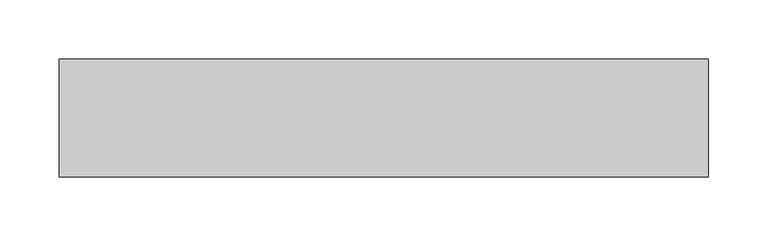
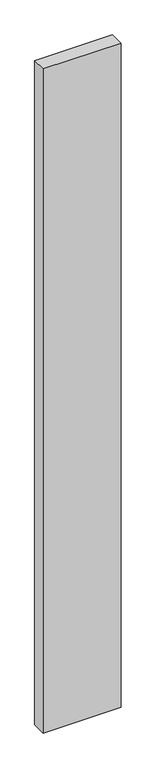
"""IFC4 building model written with IfcOpenShell, lengths in millimetres: proxy geometry."""

from ifc_helpers import new_model, si_unit, frame, origin, place, context, project, spatial, polyline, outline, extrude, source, transform, mapped, element, save


def generic_models_71701863(model_context):
    return source(origin(), model_context, "Body", "SweptSolid", [
        extrude(outline(polyline([(550.0, 100.0), (550.0, 0.0), (0.0, 0.0), (0.0, 100.0), (550.0, 100.0)])), frame((0.0, 0.0, -4950.0), z_axis=(0.0, 0.0, 1.0), x_axis=(1.0, 0.0, 0.0)), (0.0, 0.0, 1.0), 4950.0),
    ])


if __name__ == "__main__":
    model = new_model("IFC4")
    model_context = context("Model", 3, world=origin())
    ifc_project = project(units=[si_unit("LENGTHUNIT", "METRE", prefix="MILLI")], contexts=[model_context])
    site = spatial("IfcSite", under=ifc_project)
    building = spatial("IfcBuilding", under=site)
    placement = place(None, origin())
    generic_models_shape = generic_models_71701863(model_context)
    element("IfcBuildingElementProxy", 1, Name="Generic Models", at=placement, inside=building, context=model_context, shape_type="MappedRepresentation", body=[
        mapped(generic_models_shape, transform((0.0, 0.0, 0.0), x_axis=(1.0, 0.0, 0.0), y_axis=(0.0, 1.0, 0.0), z_axis=(0.0, 0.0, 1.0))),
    ])
    save(model, "model.ifc")
